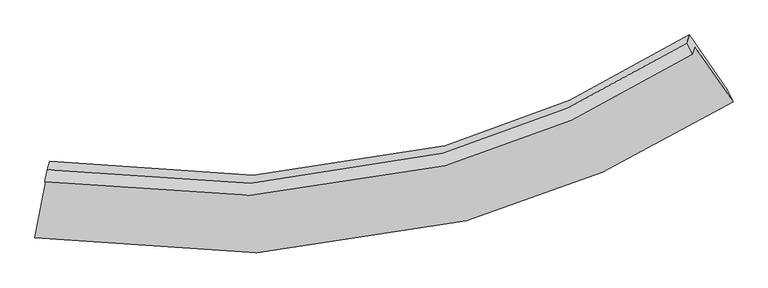
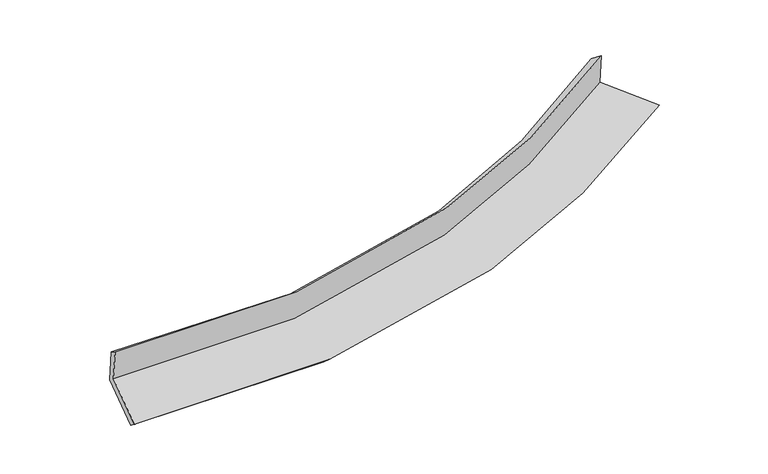
"""IFC4 building model written with IfcOpenShell, lengths in millimetres: proxy geometry."""

from ifc_helpers import new_model, si_unit, frame, origin, place, context, project, spatial, source, transform, mapped, element, save
from ifc_brep_helpers import plane_surface, spline_curve, spline_surface, advanced_brep


def generic_models_8993816e(model_context):
    return source(origin(), model_context, "Body", "AdvancedBrep", [
        advanced_brep(
        [(-3555.0660673, -2038.515036, 1993.2661234), (-3530.1624028, -1960.3576239, 1602.6968431), (2940.6936052, -688.6705296, 2263.3566759), (2915.9099663, -766.4512546, 2652.0435705), (-3529.3423971, -1918.7072199, 1913.5637632), (2858.4016101, -654.5572211, 2566.5938249), (-3503.3329051, -1837.07929, 1505.6515643), (2884.643501, -572.1999324, 2155.0368645), (-3627.7286822, -2479.4507285, 1369.173857), (3265.5160262, -1120.3896965, 2069.6231533), (-3654.0731232, -2600.2242623, 1466.7513036), (3323.6306934, -1239.8318189, 2177.4799699)],
        [
            (0, 1),
            (1, 2, spline_curve(3, [(-3530.1624028, -1960.3576239, 1602.6968431), (-2123.846781967, -2198.20001958, 1654.335315108), (-790.747347323, -2144.503420749, 1753.198965852), (1326.92840285, -1564.213901928, 1998.752488616), (2150.780971126, -1194.014802464, 2120.108782385), (2940.6936052, -688.6705296, 2263.3566759)], [4, 2, 4], [0.0, 13.17830149574751, 22.150758454820526])),
            (2, 3),
            (3, 0, spline_curve(3, [(2915.9099663, -766.4512546, 2652.0435705), (2125.928311601, -1272.012141118, 2509.87814111), (1302.028115919, -1642.360713767, 2389.268796809), (-815.71239938, -2222.85349164, 2144.731002982), (-2148.804215254, -2276.52617983, 2045.747864817), (-3555.0660673, -2038.515036, 1993.2661234)], [4, 2, 4], [0.0, 8.972456959073016, 22.150758454820526])),
            (4, 0),
            (3, 5),
            (5, 4, spline_curve(3, [(2858.4016101, -654.5572211, 2566.5938249), (2081.098390956, -1155.938048136, 2413.936395404), (1269.293194586, -1523.366928108, 2287.399310471), (-820.028143369, -2099.763246052, 2039.495421221), (-2137.470949306, -2153.717698749, 1948.355819197), (-3529.3423971, -1918.7072199, 1913.5637632)], [4, 2, 4], [0.0, 8.917715954345471, 22.01561656683767])),
            (6, 4),
            (5, 7),
            (7, 6, spline_curve(3, [(2884.643501, -572.1999324, 2155.0368645), (2106.757554161, -1075.409585936, 2011.518472038), (1294.592961455, -1443.966392551, 1890.617875913), (-795.06428796, -2021.416931328, 1647.98215492), (-2112.225163766, -2074.486577646, 1552.420984265), (-3503.3329051, -1837.07929, 1505.6515643)], [4, 2, 4], [0.0, 8.863056326539562, 21.88067557817851])),
            (8, 6),
            (7, 9),
            (9, 8, spline_curve(3, [(3265.5160262, -1120.3896965, 2069.6231533), (2426.095330596, -1659.546029955, 1914.987808316), (1549.687284816, -2054.639829409, 1784.680532334), (-705.258142662, -2674.373416152, 1523.044302916), (-2126.598332668, -2732.299960555, 1419.868480243), (-3627.7286822, -2479.4507285, 1369.173857)], [4, 2, 4], [0.0, 9.211446151557777, 22.74076316592582])),
            (10, 8),
            (9, 11),
            (11, 10, spline_curve(3, [(3323.6306934, -1239.8318189, 2177.4799699), (2471.523649704, -1781.135467674, 2023.070521664), (1582.948785379, -2177.579601779, 1892.335440231), (-700.750892667, -2798.679280625, 1628.029237056), (-2138.077300394, -2855.699294649, 1521.854763193), (-3654.0731232, -2600.2242623, 1466.7513036)], [4, 2, 4], [0.0, 9.615046332610653, 23.737151352974614])),
            (1, 10),
            (11, 2),
        ],
        [
            spline_surface(3, 3, [[(-3555.0660673, -2038.515036, 1993.2661234), (-2148.80421522, -2276.526179668, 2045.747865019), (-815.712399543, -2222.853491742, 2144.731002933), (1302.02811603, -1642.360713698, 2389.268796843), (2125.928311549, -1272.012141109, 2509.878141255), (2915.9099663, -766.4512546, 2652.0435705)], [(-3546.764845804, -2012.462565306, 1863.076363318), (-2140.48507074, -2250.417459658, 1915.277015089), (-807.390715457, -2196.73680146, 2014.220323852), (1310.328211648, -1616.311776449, 2259.096694137), (2134.212531387, -1246.013028247, 2379.955021655), (2924.171179273, -740.524346253, 2522.481272282)], [(-3538.463624296, -1986.410094594, 1732.886603182), (-2132.165926246, -2224.308739628, 1784.806165105), (-799.069031406, -2170.620111105, 1883.709644772), (1318.628307231, -1590.262839127, 2128.924591431), (2142.496751205, -1220.013915426, 2250.031902109), (2932.432392227, -714.597437947, 2392.918974118)], [(-3530.1624028, -1960.3576239, 1602.6968431), (-2123.846781766, -2198.200019618, 1654.335315175), (-790.74734732, -2144.503420823, 1753.198965691), (1326.928402848, -1564.213901877, 1998.752488726), (2150.780971043, -1194.014802564, 2120.108782509), (2940.6936052, -688.6705296, 2263.3566759)]], [4, 4], [4, 2, 4], [0.0, 1.311337838508843], [0.0, 13.17830149574751, 22.150758454820526]),
            spline_surface(3, 3, [[(-3529.3423971, -1918.7072199, 1913.5637632), (-2137.470949348, -2153.717698893, 1948.35581934), (-820.028143254, -2099.763246049, 2039.495421368), (1269.293194508, -1523.36692811, 2287.399310371), (2081.098390849, -1155.938048016, 2413.936395551), (2858.4016101, -654.5572211, 2566.5938249)], [(-3537.91695385, -1958.643158598, 1940.131216604), (-2141.248704655, -2194.653859149, 1980.81983457), (-818.589562025, -2140.793327935, 2074.573948533), (1280.204835007, -1563.031523295, 2321.355805839), (2096.041697753, -1194.6294124, 2445.916977464), (2877.57106217, -691.855232286, 2595.077073444)], [(-3546.49151055, -1998.579097302, 1966.698669996), (-2145.026459913, -2235.590019412, 2013.283849789), (-817.150980772, -2181.823409855, 2109.652475767), (1291.116475531, -1602.696118513, 2355.312301375), (2110.985004645, -1233.320776725, 2477.897559343), (2896.74051423, -729.153243414, 2623.560321956)], [(-3555.0660673, -2038.515036, 1993.2661234), (-2148.80421522, -2276.526179668, 2045.747865019), (-815.712399543, -2222.853491742, 2144.731002933), (1302.02811603, -1642.360713698, 2389.268796843), (2125.928311549, -1272.012141109, 2509.878141255), (2915.9099663, -766.4512546, 2652.0435705)]], [4, 4], [4, 2, 4], [0.0, 0.5255916780942106], [0.0, 13.0979006124922, 22.01561656683767]),
            spline_surface(3, 3, [[(-3503.3329051, -1837.07929, 1505.6515643), (-2112.225163738, -2074.486577506, 1552.420984468), (-795.064287837, -2021.416931503, 1647.982155002), (1294.592961371, -1443.966392432, 1890.617875857), (2106.757554125, -1075.409585876, 2011.518472054), (2884.643501, -572.1999324, 2155.0368645)], [(-3512.002735742, -1864.288599959, 1641.622297257), (-2120.640425583, -2100.896951294, 1684.399262749), (-803.385572965, -2047.532369697, 1778.486577134), (1286.159705762, -1470.43323767, 2022.878354038), (2098.204499685, -1102.252406571, 2145.657779888), (2875.896204018, -599.652361948, 2292.222517969)], [(-3520.672566458, -1891.497909941, 1777.593030243), (-2129.055687503, -2127.307325105, 1816.377541059), (-811.706858127, -2073.647807854, 1908.990999235), (1277.726450117, -1496.900082872, 2155.138832189), (2089.65144529, -1129.095227321, 2279.797087717), (2867.148907082, -627.104791552, 2429.408171431)], [(-3529.3423971, -1918.7072199, 1913.5637632), (-2137.470949348, -2153.717698893, 1948.35581934), (-820.028143254, -2099.763246049, 2039.495421368), (1269.293194508, -1523.36692811, 2287.399310371), (2081.098390849, -1155.938048016, 2413.936395551), (2858.4016101, -654.5572211, 2566.5938249)]], [4, 4], [4, 2, 4], [0.0, 1.319928499194949], [0.0, 13.01761925163895, 21.88067557817851]),
            spline_surface(3, 3, [[(-3627.7286822, -2479.4507285, 1369.173857), (-2126.59833289, -2732.299960427, 1419.868480143), (-705.25814258, -2674.373416027, 1523.044303004), (1549.68728476, -2054.639829494, 1784.680532275), (2426.095330594, -1659.546029879, 1914.987808163), (3265.5160262, -1120.3896965, 2069.6231533)], [(-3586.263423182, -2265.326915661, 1414.666426112), (-2121.807276522, -2513.028832781, 1464.052648264), (-735.193524344, -2456.721254515, 1564.690253662), (1464.65584362, -1851.082017136, 1819.992980128), (2319.649405117, -1464.833881878, 1947.164696132), (3138.558517812, -937.659775133, 2098.094390371)], [(-3544.798164118, -2051.203102839, 1460.158995188), (-2117.016220107, -2293.757705152, 1508.236816347), (-765.128906074, -2239.069093015, 1606.336204344), (1379.624402512, -1647.52420479, 1855.305428004), (2213.203479602, -1270.121733877, 1979.341584086), (3011.601009388, -754.929853767, 2126.565627429)], [(-3503.3329051, -1837.07929, 1505.6515643), (-2112.225163738, -2074.486577506, 1552.420984468), (-795.064287837, -2021.416931503, 1647.982155002), (1294.592961371, -1443.966392432, 1890.617875857), (2106.757554125, -1075.409585876, 2011.518472054), (2884.643501, -572.1999324, 2155.0368645)]], [4, 4], [4, 2, 4], [0.0, 2.1794665067090797], [0.0, 13.529317014368043, 22.74076316592582]),
            spline_surface(3, 3, [[(-3654.0731232, -2600.2242623, 1466.7513036), (-2138.077300606, -2855.699294441, 1521.854763266), (-700.750892638, -2798.679280749, 1628.029237191), (1582.948785359, -2177.579601695, 1892.335440139), (2471.5236496, -1781.135467607, 2023.070521621), (3323.6306934, -1239.8318189, 2177.4799699)], [(-3645.291642862, -2559.966417696, 1434.225488067), (-2134.250978029, -2814.566183098, 1487.859335559), (-702.253309285, -2757.243992491, 1593.034259128), (1571.861618493, -2136.599677611, 1856.45047085), (2456.380876602, -1740.605655044, 1987.042950465), (3304.259137671, -1200.017778113, 2141.527697696)], [(-3636.510162538, -2519.708573104, 1401.699672533), (-2130.424655467, -2773.433071769, 1453.863907851), (-703.755725934, -2715.808704285, 1558.039281067), (1560.774451626, -2095.619753578, 1820.565501563), (2441.238103591, -1700.075842442, 1951.01537932), (3284.887581929, -1160.203737287, 2105.575425504)], [(-3627.7286822, -2479.4507285, 1369.173857), (-2126.59833289, -2732.299960427, 1419.868480143), (-705.25814258, -2674.373416027, 1523.044303004), (1549.68728476, -2054.639829494, 1784.680532275), (2426.095330594, -1659.546029879, 1914.987808163), (3265.5160262, -1120.3896965, 2069.6231533)]], [4, 4], [4, 2, 4], [0.0, 0.5357964353031329], [0.0, 14.12210502036396, 23.737151352974614]),
            spline_surface(3, 3, [[(-3530.1624028, -1960.3576239, 1602.6968431), (-2123.846781766, -2198.200019618, 1654.335315175), (-790.74734732, -2144.503420823, 1753.198965691), (1326.928402848, -1564.213901877, 1998.752488726), (2150.780971043, -1194.014802564, 2120.108782509), (2940.6936052, -688.6705296, 2263.3566759)], [(-3571.465976261, -2173.64650338, 1557.381663242), (-2128.59028804, -2417.366444572, 1610.17513118), (-760.748529098, -2362.562040793, 1711.475722879), (1412.268530347, -1768.669135145, 1963.280139218), (2257.695197217, -1389.721690911, 2087.762695551), (3068.339301255, -872.390959366, 2234.731107238)], [(-3612.769549739, -2386.93538282, 1512.066483458), (-2133.333794332, -2636.532869486, 1566.01494726), (-730.74971086, -2580.620660778, 1669.752480004), (1497.608657861, -1973.124368427, 1927.807789647), (2364.609423426, -1585.42857926, 2055.416608579), (3195.984997345, -1056.111389134, 2206.105538562)], [(-3654.0731232, -2600.2242623, 1466.7513036), (-2138.077300606, -2855.699294441, 1521.854763266), (-700.750892638, -2798.679280749, 1628.029237191), (1582.948785359, -2177.579601695, 1892.335440139), (2471.5236496, -1781.135467607, 2023.070521621), (3323.6306934, -1239.8318189, 2177.4799699)]], [4, 4], [4, 2, 4], [0.0, 2.1850775642309843], [0.0, 13.690774844311413, 23.012149686629506]),
            plane_surface(frame((3031.4659004, -840.3500755, 2314.0223432), z_axis=(0.8220619541497822, 0.5459641199812498, 0.1616704154523661), x_axis=(-0.5659684185752331, 0.8145982536664355, 0.12692294630618706))),
            plane_surface(frame((-3566.6175963, -2139.0556934, 1641.8505757), z_axis=(-0.980544714604548, 0.19488120689930444, -0.02352398475081053), x_axis=(-0.06240106341154027, -0.19583887463088825, 0.9786486818406369))),
        ],
        [
            (0, [[1, 2, 3, 4]]),
            (1, [[5, -4, 6, 7]]),
            (2, [[8, -7, 9, 10]]),
            (3, [[11, -10, 12, 13]]),
            (4, [[14, -13, 15, 16]]),
            (5, [[17, -16, 18, -2]]),
            (6, [[-12, -9, -6, -3, -18, -15]]),
            (7, [[-1, -5, -8, -11, -14, -17]]),
        ],
    ),
    ])


if __name__ == "__main__":
    model = new_model("IFC4")
    model_context = context("Model", 3, world=origin())
    ifc_project = project(units=[si_unit("LENGTHUNIT", "METRE", prefix="MILLI")], contexts=[model_context])
    site = spatial("IfcSite", under=ifc_project)
    building = spatial("IfcBuilding", under=site)
    placement = place(None, origin())
    generic_models_shape = generic_models_8993816e(model_context)
    element("IfcBuildingElementProxy", 1, Name="Generic Models", at=placement, inside=building, context=model_context, shape_type="MappedRepresentation", body=[
        mapped(generic_models_shape, transform((0.0, 0.0, 0.0), x_axis=(1.0, 0.0, 0.0), y_axis=(0.0, 1.0, 0.0), z_axis=(0.0, 0.0, 1.0))),
    ])
    save(model, "model.ifc")
